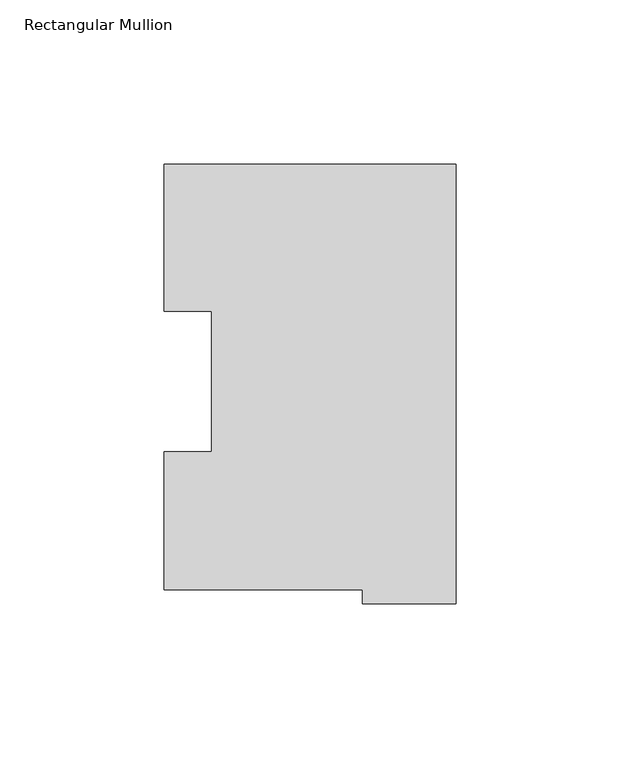
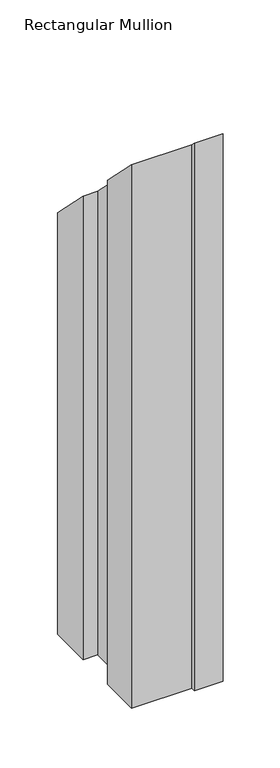
"""IFC4 building model written with IfcOpenShell, lengths in millimetres: member geometry, Rectangular Mullion."""

from ifc_helpers import new_model, si_unit, origin, place, context, project, spatial, faceted_brep, source, transform, mapped, element, save


def rectangular_mullion_24cb1d96(model_context):
    return source(origin(), model_context, "Body", "Brep", [
        faceted_brep([(-28.56992, 0.2428875, -577.85), (-89.1408142, 0.2428875, -577.85), (-89.1408142, 42.2798875, -577.85), (-74.6252, 42.2798875, -577.85), (-74.6252, 85.1296875, -577.85), (-88.99652, 85.1296875, -577.85), (-88.99652, 130.0368875, -577.85), (0.0, 130.0368875, -577.85), (0.0, -3.9735125, -577.85), (-28.56992, -3.9735125, -577.85), (-28.56992, -3.9735125, 3.9735125), (-28.56992, 0.2428875, -0.2428875), (0.0, -3.9735125, 3.9735125), (0.0, 130.0368875, -130.0368875), (-88.99652, 130.0368875, -130.0368875), (-88.99652, 85.1296875, -85.1296875), (-74.6252, 85.1296875, -85.1296875), (-74.6252, 42.2798875, -42.2798875), (-89.1408142, 42.2798875, -42.2798875), (-89.1408142, 0.2428875, -0.2428875)], [[[0, 1, 2, 3, 4, 5, 6, 7, 8, 9]], [[10, 11, 0, 9]], [[12, 10, 9, 8]], [[13, 12, 8, 7]], [[14, 13, 7, 6]], [[15, 14, 6, 5]], [[16, 15, 5, 4]], [[17, 16, 4, 3]], [[18, 17, 3, 2]], [[19, 18, 2, 1]], [[11, 19, 1, 0]], [[11, 10, 12, 13, 14, 15, 16, 17, 18, 19]]]),
    ])


if __name__ == "__main__":
    model = new_model("IFC4")
    model_context = context("Model", 3, world=origin())
    ifc_project = project(units=[si_unit("LENGTHUNIT", "METRE", prefix="MILLI")], contexts=[model_context])
    site = spatial("IfcSite", under=ifc_project)
    building = spatial("IfcBuilding", under=site)
    placement = place(None, origin())
    rectangular_mullion_shape = rectangular_mullion_24cb1d96(model_context)
    element("IfcMember", 1, ObjectType="Rectangular Mullion", at=placement, inside=building, context=model_context, shape_type="MappedRepresentation", body=[
        mapped(rectangular_mullion_shape, transform((0.0, 0.0, 0.0), x_axis=(1.0, 0.0, 0.0), y_axis=(0.0, 1.0, 0.0), z_axis=(0.0, 0.0, 1.0))),
    ])
    save(model, "model.ifc")
